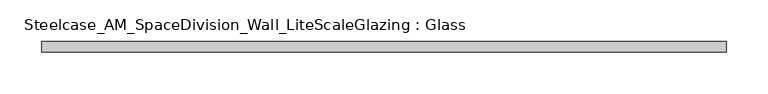
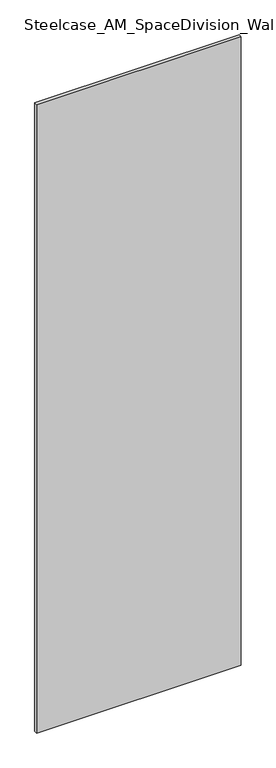
"""IFC4 building model written with IfcOpenShell, lengths in millimetres: plate geometry, Steelcase_AM_SpaceDivision_Wall_LiteScaleGlazing : Glass."""

from ifc_helpers import new_model, si_unit, origin, origin_with_axes, place, context, project, spatial, polyline, outline, extrude, source, transform, mapped, element, save


def steelcase_am_spacedivision_wall_litescaleglazing_glass_31e689e4(model_context):
    return source(origin(), model_context, "Body", "SweptSolid", [
        extrude(outline(polyline([(-410.718, -6.349956), (-410.718, 6.3502015), (410.718, 6.3502015), (410.718, -6.349956), (-410.718, -6.349956)])), origin_with_axes(), (0.0, 0.0, 1.0), 2665.984),
    ])


if __name__ == "__main__":
    model = new_model("IFC4")
    model_context = context("Model", 3, world=origin())
    ifc_project = project(units=[si_unit("LENGTHUNIT", "METRE", prefix="MILLI")], contexts=[model_context])
    site = spatial("IfcSite", under=ifc_project)
    building = spatial("IfcBuilding", under=site)
    placement = place(None, origin())
    steelcase_am_spacedivision_wall_litescaleglazing_glass_shape = steelcase_am_spacedivision_wall_litescaleglazing_glass_31e689e4(model_context)
    element("IfcPlate", 1, ObjectType="Steelcase_AM_SpaceDivision_Wall_LiteScaleGlazing : Glass", at=placement, inside=building, context=model_context, shape_type="MappedRepresentation", body=[
        mapped(steelcase_am_spacedivision_wall_litescaleglazing_glass_shape, transform((0.0, 0.0, 0.0), x_axis=(1.0, 0.0, 0.0), y_axis=(0.0, 1.0, 0.0), z_axis=(0.0, 0.0, 1.0))),
    ])
    save(model, "model.ifc")
